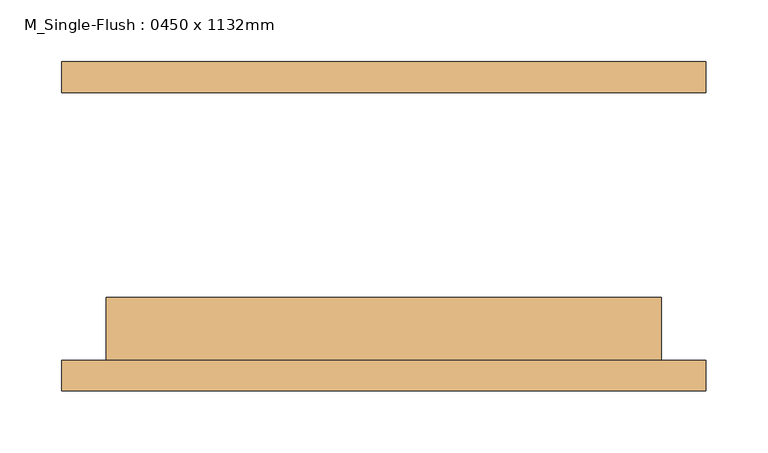
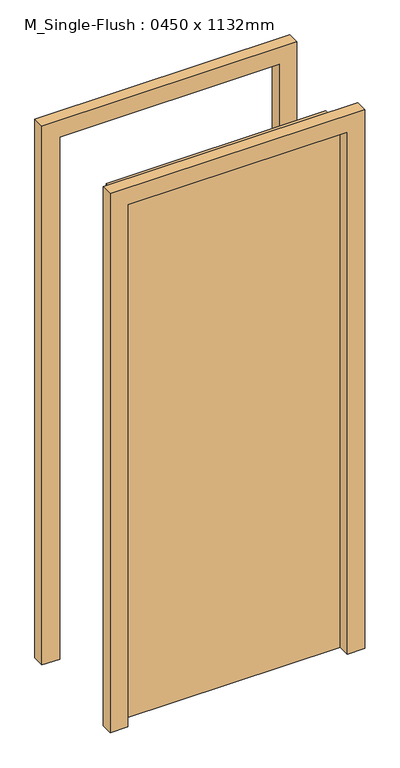
"""IFC4 building model written with IfcOpenShell, lengths in millimetres: door geometry, M_Single-Flush : 0450 x 1132mm."""

from ifc_helpers import new_model, si_unit, frame, origin, origin_with_axes, place, context, project, spatial, polyline, outline, extrude, source, transform, mapped, element, save


def m_single_flush_0450_x_1132mm_df65c220(model_context):
    return source(origin(), model_context, "Body", "SweptSolid", [
        extrude(outline(polyline([(1168.0, -261.0), (0.0, -261.0), (0.0, -225.0), (1132.0, -225.0), (1132.0, 225.0), (0.0, 225.0), (0.0, 261.0), (1168.0, 261.0), (1168.0, -261.0)])), frame((0.0, -133.5, 0.0), z_axis=(0.0, 1.0, 0.0), x_axis=(0.0, 0.0, 1.0)), (0.0, 0.0, 1.0), 25.0),
        extrude(outline(polyline([(1168.0, 261.0), (1168.0, -261.0), (0.0, -261.0), (0.0, -225.0), (1132.0, -225.0), (1132.0, 225.0), (0.0, 225.0), (0.0, 261.0), (1168.0, 261.0)])), frame((0.0, 108.5, 0.0), z_axis=(0.0, 1.0, 0.0), x_axis=(0.0, 0.0, 1.0)), (0.0, 0.0, 1.0), 25.0),
        extrude(outline(polyline([(225.0, -57.5), (225.0, -108.5), (-225.0, -108.5), (-225.0, -57.5), (225.0, -57.5)])), origin_with_axes(), (0.0, 0.0, 1.0), 1132.0),
    ])


if __name__ == "__main__":
    model = new_model("IFC4")
    model_context = context("Model", 3, world=origin())
    ifc_project = project(units=[si_unit("LENGTHUNIT", "METRE", prefix="MILLI")], contexts=[model_context])
    site = spatial("IfcSite", under=ifc_project)
    building = spatial("IfcBuilding", under=site)
    placement = place(None, origin())
    m_single_flush_0450_x_1132mm_shape = m_single_flush_0450_x_1132mm_df65c220(model_context)
    element("IfcDoor", 1, ObjectType="M_Single-Flush : 0450 x 1132mm", at=placement, inside=building, context=model_context, shape_type="MappedRepresentation", body=[
        mapped(m_single_flush_0450_x_1132mm_shape, transform((0.0, 0.0, 0.0), x_axis=(1.0, 0.0, 0.0), y_axis=(0.0, 1.0, 0.0), z_axis=(0.0, 0.0, 1.0))),
    ])
    save(model, "model.ifc")
